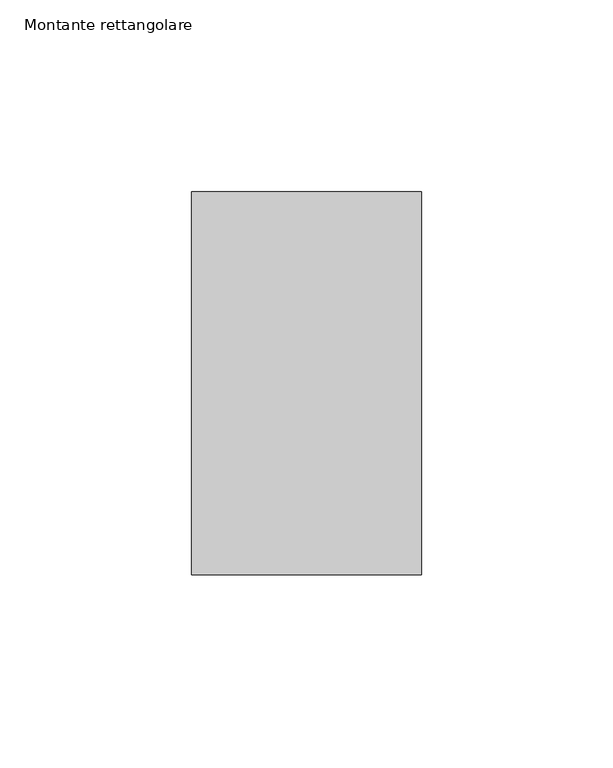
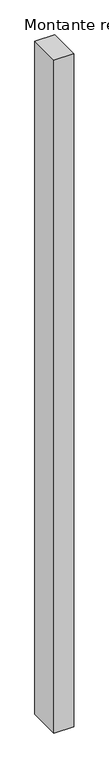
"""IFC4 building model written with IfcOpenShell, lengths in millimetres: member geometry, Montante rettangolare."""

from ifc_helpers import new_model, si_unit, frame, origin, place, context, project, spatial, polyline, outline, extrude, source, transform, mapped, element, save


def montante_rettangolare_dafddbfa(model_context):
    return source(origin(), model_context, "Body", "SweptSolid", [
        extrude(outline(polyline([(0.0, 50.0), (0.0, -50.0), (-60.0, -50.0), (-60.0, 50.0), (0.0, 50.0)])), frame((0.0, 0.0, -2151.5099801), z_axis=(0.0, 0.0, 1.0), x_axis=(1.0, 0.0, 0.0)), (0.0, 0.0, 1.0), 2151.5099801),
    ])


if __name__ == "__main__":
    model = new_model("IFC4")
    model_context = context("Model", 3, world=origin())
    ifc_project = project(units=[si_unit("LENGTHUNIT", "METRE", prefix="MILLI")], contexts=[model_context])
    site = spatial("IfcSite", under=ifc_project)
    building = spatial("IfcBuilding", under=site)
    placement = place(None, origin())
    montante_rettangolare_shape = montante_rettangolare_dafddbfa(model_context)
    element("IfcMember", 1, ObjectType="Montante rettangolare", at=placement, inside=building, context=model_context, shape_type="MappedRepresentation", body=[
        mapped(montante_rettangolare_shape, transform((0.0, 0.0, 0.0), x_axis=(1.0, 0.0, 0.0), y_axis=(0.0, 1.0, 0.0), z_axis=(0.0, 0.0, 1.0))),
    ])
    save(model, "model.ifc")
